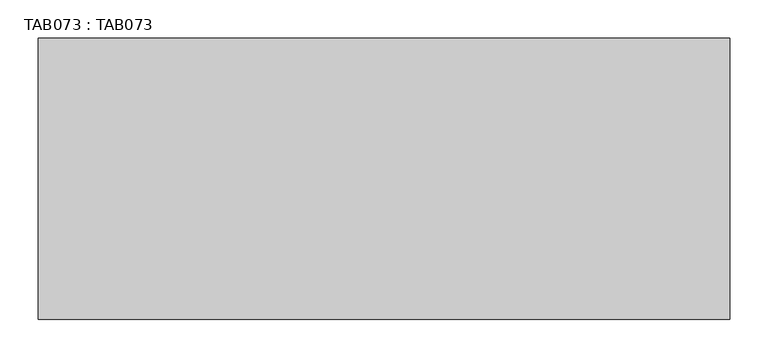
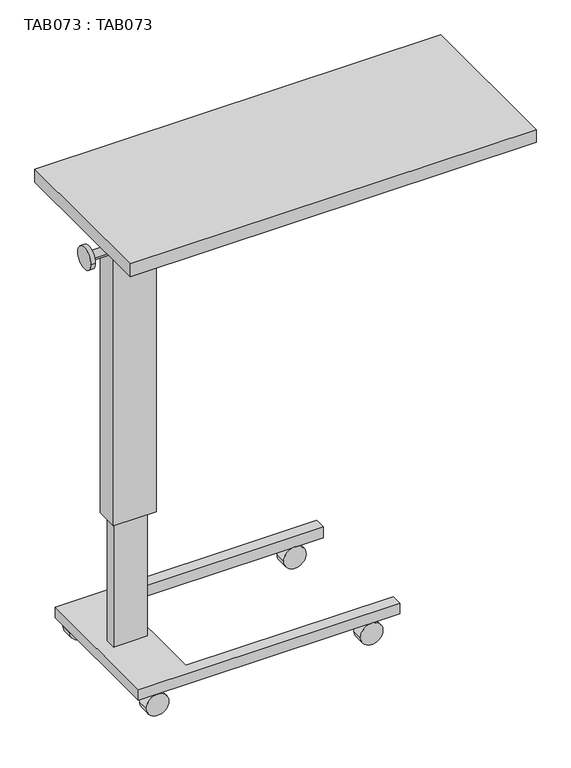
"""IFC4 building model written with IfcOpenShell, lengths in millimetres: proxy geometry, TAB073 : TAB073."""

import ifcopenshell
import ifcopenshell.guid

model = None  # the IFC model being written
_history = None  # IfcOwnerHistory: only IFC2X3 demands one
_inside = {}  # id of a spatial element -> (the spatial element, [elements in it])
_under = {}  # id of a project, library or spatial element -> (it, [spatial elements below it])
_declared = {}  # id of a project -> (the project, [libraries it declares])
_typed = {}  # id of a type object -> (the type object, [elements of that type])
_made_of = {}  # id of a material, layer set ... -> (it, [elements and type objects made of it])


def new_model(schema):
    """Start an empty IFC model of exactly this schema.

    Asked for "IFC4X3", IfcOpenShell would pick the latest addendum, in which some entities
    have other attributes; the version numbers below select the first issue.
    IFC2X3 requires an IfcOwnerHistory on every rooted entity: one is made here for all.
    """
    global model, _history
    if schema == "IFC4X3":
        model = ifcopenshell.file(schema_version=(4, 3, 0, 0))
    else:
        model = ifcopenshell.file(schema=schema)
    _inside.clear()
    _under.clear()
    _declared.clear()
    _typed.clear()
    _made_of.clear()
    _history = None
    if model.schema == "IFC2X3":
        org = make("IfcOrganization", Name="unknown")
        user = make(
            "IfcPersonAndOrganization",
            ThePerson=make("IfcPerson", FamilyName="unknown"),
            TheOrganization=org,
        )
        app = make(
            "IfcApplication",
            ApplicationDeveloper=org,
            Version="unknown",
            ApplicationFullName="unknown",
            ApplicationIdentifier="unknown",
        )
        _history = make(
            "IfcOwnerHistory",
            OwningUser=user,
            OwningApplication=app,
            ChangeAction="ADDED",
            CreationDate=0,
        )
    return model


def make(cls, **values):
    """One entity of the class cls with the attributes given. An attribute that is None is left unset."""
    return model.create_entity(
        cls, **{name: value for name, value in values.items() if value is not None}
    )


def rooted(cls, **values):
    """An entity with a GlobalId (a new one), such as an element, a storey or a relation."""
    return make(cls, GlobalId=ifcopenshell.guid.new(), OwnerHistory=_history, **values)


def si_unit(unit_type, name, prefix=None):
    """IfcSIUnit, for example si_unit("LENGTHUNIT", "METRE", prefix="MILLI")."""
    return make("IfcSIUnit", UnitType=unit_type, Prefix=prefix, Name=name)


def assignment(units):
    """IfcUnitAssignment: the units of a project."""
    return None if units is None else make("IfcUnitAssignment", Units=units)


def point(xyz):
    """IfcCartesianPoint."""
    return None if xyz is None else make("IfcCartesianPoint", Coordinates=xyz)


def direction(xyz):
    """IfcDirection."""
    return None if xyz is None else make("IfcDirection", DirectionRatios=xyz)


def frame(location, z_axis=None, x_axis=None):
    """IfcAxis2Placement3D, a coordinate frame: its origin and axes. An axis left out is left unset."""
    return make(
        "IfcAxis2Placement3D",
        Location=point(location),
        Axis=direction(z_axis),
        RefDirection=direction(x_axis),
    )


def frame_2d(location, x_axis=None):
    """IfcAxis2Placement2D, a coordinate frame in the plane: its origin and x axis."""
    return make(
        "IfcAxis2Placement2D", Location=point(location), RefDirection=direction(x_axis)
    )


def origin():
    """The frame at (0, 0, 0) with its axes left unset."""
    return frame((0.0, 0.0, 0.0))


def place(relative_to, where):
    """IfcLocalPlacement: puts the frame where relative to a parent placement (None: the world)."""
    return make(
        "IfcLocalPlacement", PlacementRelTo=relative_to, RelativePlacement=where
    )


def context(
    kind, dimensions, precision=None, world=None, true_north=None, identifier=None
):
    """IfcGeometricRepresentationContext, for example the 3D "Model" context."""
    return make(
        "IfcGeometricRepresentationContext",
        ContextIdentifier=identifier,
        ContextType=kind,
        CoordinateSpaceDimension=dimensions,
        Precision=precision,
        WorldCoordinateSystem=world,
        TrueNorth=true_north,
    )


def project(units=None, contexts=None):
    """IfcProject with its units and contexts."""
    return rooted(
        "IfcProject",
        Name="project",
        RepresentationContexts=contexts,
        UnitsInContext=assignment(units),
    )


def spatial(cls, under=None, at=None, **own):
    """A site, building, storey or space (cls), placed at a placement, below another one or the project."""
    s = rooted(cls, ObjectPlacement=at, **own)
    if under is not None:
        _under.setdefault(under.id(), (under, []))[1].append(s)
    return s


def polyline(points):
    """IfcPolyline through the points."""
    return make("IfcPolyline", Points=[point(p) for p in points])


def circle_curve(where, radius):
    """IfcCircle in the frame where."""
    return make("IfcCircle", Position=where, Radius=radius)


def trimmed(basis, trim1, trim2, sense, master):
    """IfcTrimmedCurve: the piece of a basis curve between two trims."""
    return make(
        "IfcTrimmedCurve",
        BasisCurve=basis,
        Trim1=trim1,
        Trim2=trim2,
        SenseAgreement=sense,
        MasterRepresentation=master,
    )


def segment(curve, same_sense, transition):
    """IfcCompositeCurveSegment."""
    return make(
        "IfcCompositeCurveSegment",
        Transition=transition,
        SameSense=same_sense,
        ParentCurve=curve,
    )


def composite_curve(segments, self_intersect=None):
    """IfcCompositeCurve: segments joined end to end."""
    return make("IfcCompositeCurve", Segments=segments, SelfIntersect=self_intersect)


def outline(outer, holes=None, kind="AREA"):
    """IfcArbitraryClosedProfileDef: a profile drawn as a closed curve; with holes, ...WithVoids."""
    if holes is None:
        return make("IfcArbitraryClosedProfileDef", ProfileType=kind, OuterCurve=outer)
    return make(
        "IfcArbitraryProfileDefWithVoids",
        ProfileType=kind,
        OuterCurve=outer,
        InnerCurves=holes,
    )


def extrude(swept, where, along, depth):
    """IfcExtrudedAreaSolid: the profile swept, set in the frame where, extruded along a direction by depth."""
    return make(
        "IfcExtrudedAreaSolid",
        SweptArea=swept,
        Position=where,
        ExtrudedDirection=direction(along),
        Depth=depth,
    )


def shape(context_of_items, identifier, shape_type, items):
    """IfcShapeRepresentation: the items that make up one representation, for example the "Body"."""
    return make(
        "IfcShapeRepresentation",
        ContextOfItems=context_of_items,
        RepresentationIdentifier=identifier,
        RepresentationType=shape_type,
        Items=items,
    )


def source(mapping_origin, context_of_items, identifier, shape_type, items):
    """IfcRepresentationMap: a shape defined once, which mapped items show again and again."""
    return make(
        "IfcRepresentationMap",
        MappingOrigin=mapping_origin,
        MappedRepresentation=shape(context_of_items, identifier, shape_type, items),
    )


def transform(
    local_origin,
    x_axis=None,
    y_axis=None,
    z_axis=None,
    scale=None,
    scale2=None,
    scale3=None,
    uniform=True,
):
    """IfcCartesianTransformationOperator3D, or its non-uniform kind. x_axis, y_axis, z_axis: its Axis1, 2, 3."""
    if uniform:
        return make(
            "IfcCartesianTransformationOperator3D",
            Axis1=direction(x_axis),
            Axis2=direction(y_axis),
            LocalOrigin=point(local_origin),
            Scale=scale,
            Axis3=direction(z_axis),
        )
    return make(
        "IfcCartesianTransformationOperator3DnonUniform",
        Axis1=direction(x_axis),
        Axis2=direction(y_axis),
        LocalOrigin=point(local_origin),
        Scale=scale,
        Axis3=direction(z_axis),
        Scale2=scale2,
        Scale3=scale3,
    )


def mapped(mapping_source, mapping_target):
    """IfcMappedItem: shows the shape of a source again, moved by a transform."""
    return make(
        "IfcMappedItem", MappingSource=mapping_source, MappingTarget=mapping_target
    )


def made_of(thing, what):
    """Note that an element or type object is made of a material, layer set ...; save() writes the relation."""
    if what is not None:
        _made_of.setdefault(what.id(), (what, []))[1].append(thing)
    return thing


def element(
    cls,
    number,
    at=None,
    inside=None,
    cuts=None,
    type_object=None,
    material=None,
    context=None,
    identifier="Body",
    shape_type=None,
    held_by="IfcProductDefinitionShape",
    body=None,
    shapes=None,
    **own,
):
    """One element of the class cls, such as IfcWall. Its Tag is "e" and its number.

    at: its placement. inside: the storey or other place that contains it. cuts: it is an
    opening in that element (IfcRelVoidsElement). A single representation is given by context,
    identifier, shape_type and body (its items); several are given by shapes. held_by: the class
    of the entity that holds the representations. save() writes the other relations.
    """
    e = rooted(cls, Tag="e%d" % number, ObjectPlacement=at, **own)
    if body is not None:
        shapes = [shape(context, identifier, shape_type, body)]
    if shapes is not None:
        e.Representation = make(held_by, Representations=shapes)
    if inside is not None:
        _inside.setdefault(inside.id(), (inside, []))[1].append(e)
    if cuts is not None:
        rooted(
            "IfcRelVoidsElement", RelatingBuildingElement=cuts, RelatedOpeningElement=e
        )
    if type_object is not None:
        _typed.setdefault(type_object.id(), (type_object, []))[1].append(e)
    return made_of(e, material)


def aggregate(whole, parts):
    """IfcRelAggregates: a whole, such as a stair, and the parts it consists of."""
    return rooted("IfcRelAggregates", RelatingObject=whole, RelatedObjects=parts)


def save(model, path):
    """Write the relations noted so far, then the file.

    IfcRelAggregates (storeys below a building ...), IfcRelContainedInSpatialStructure (elements
    in a storey), IfcRelDefinesByType, IfcRelAssociatesMaterial and IfcRelDeclares: one each for
    every whole, place, type object, material and project.
    """
    for whole, parts in _under.values():
        aggregate(whole, parts)
    for where, things in _inside.values():
        rooted(
            "IfcRelContainedInSpatialStructure",
            RelatedElements=things,
            RelatingStructure=where,
        )
    for kind, things in _typed.values():
        rooted("IfcRelDefinesByType", RelatedObjects=things, RelatingType=kind)
    for what, things in _made_of.values():
        rooted("IfcRelAssociatesMaterial", RelatedObjects=things, RelatingMaterial=what)
    for by, libraries in _declared.values():
        rooted("IfcRelDeclares", RelatingContext=by, RelatedDefinitions=libraries)
    model.write(path)


def tab073_tab073_9d9f9e27(model_context):
    return source(origin(), model_context, "Body", "SweptSolid", [
        extrude(outline(composite_curve([segment(trimmed(circle_curve(frame_2d((-181.2471765, 1000.0)), 10.0), [point((-171.2471765, 1000.0))], [point((-191.2471765, 1000.0))], False, "CARTESIAN"), True, "CONTINUOUS"), segment(trimmed(circle_curve(frame_2d((-181.2471765, 1000.0)), 10.0), [point((-191.2471765, 1000.0))], [point((-171.2471765, 1000.0))], False, "CARTESIAN"), True, "CONTINUOUS")], self_intersect=False)), frame((15.0, 0.0, 0.0), z_axis=(1.0, 0.0, 0.0), x_axis=(0.0, 1.0, 0.0)), (0.0, 0.0, 1.0), 40.0),
        extrude(outline(composite_curve([segment(trimmed(circle_curve(frame_2d((-181.2471765, 1000.0)), 25.0), [point((-156.2471765, 1000.0))], [point((-206.2471765, 1000.0))], False, "CARTESIAN"), True, "CONTINUOUS"), segment(trimmed(circle_curve(frame_2d((-181.2471765, 1000.0)), 25.0), [point((-206.2471765, 1000.0))], [point((-156.2471765, 1000.0))], False, "CARTESIAN"), True, "CONTINUOUS")], self_intersect=False)), frame((5.0, 0.0, 0.0), z_axis=(1.0, 0.0, 0.0), x_axis=(0.0, 1.0, 0.0)), (0.0, 0.0, 1.0), 10.0),
        extrude(outline(composite_curve([segment(trimmed(circle_curve(frame_2d((25.0000002, 550.000004)), 25.0), [point((25.0000002, 575.000004))], [point((25.0000002, 525.000004))], False, "CARTESIAN"), True, "CONTINUOUS"), segment(trimmed(circle_curve(frame_2d((25.0000002, 550.000004)), 25.0), [point((25.0000002, 525.000004))], [point((25.0000002, 575.000004))], False, "CARTESIAN"), True, "CONTINUOUS")], self_intersect=False)), frame((0.0, -46.2471937, 0.0), z_axis=(0.0, 1.0, 0.0), x_axis=(0.0, 0.0, 1.0)), (0.0, 0.0, 1.0), 25.0000002),
        extrude(outline(composite_curve([segment(trimmed(circle_curve(frame_2d((25.0000002, 75.0000004)), 25.0), [point((25.0000002, 100.0000004))], [point((25.0000002, 50.0000004))], False, "CARTESIAN"), True, "CONTINUOUS"), segment(trimmed(circle_curve(frame_2d((25.0000002, 75.0000004)), 25.0), [point((25.0000002, 50.0000004))], [point((25.0000002, 100.0000004))], False, "CARTESIAN"), True, "CONTINUOUS")], self_intersect=False)), frame((0.0, -46.2471937, 0.0), z_axis=(0.0, 1.0, 0.0), x_axis=(0.0, 0.0, 1.0)), (0.0, 0.0, 1.0), 25.0000002),
        extrude(outline(composite_curve([segment(trimmed(circle_curve(frame_2d((25.0000002, 550.000004)), 25.0), [point((25.0000002, 575.000004))], [point((25.0000002, 525.000004))], False, "CARTESIAN"), True, "CONTINUOUS"), segment(trimmed(circle_curve(frame_2d((25.0000002, 550.000004)), 25.0), [point((25.0000002, 525.000004))], [point((25.0000002, 575.000004))], False, "CARTESIAN"), True, "CONTINUOUS")], self_intersect=False)), frame((0.0, -341.2471937, 0.0), z_axis=(0.0, 1.0, 0.0), x_axis=(0.0, 0.0, 1.0)), (0.0, 0.0, 1.0), 25.0000002),
        extrude(outline(composite_curve([segment(trimmed(circle_curve(frame_2d((25.0000002, 75.0000004)), 25.0), [point((25.0000002, 100.0000004))], [point((25.0000002, 50.0000004))], False, "CARTESIAN"), True, "CONTINUOUS"), segment(trimmed(circle_curve(frame_2d((25.0000002, 75.0000004)), 25.0), [point((25.0000002, 50.0000004))], [point((25.0000002, 100.0000004))], False, "CARTESIAN"), True, "CONTINUOUS")], self_intersect=False)), frame((0.0, -341.2471937, 0.0), z_axis=(0.0, 1.0, 0.0), x_axis=(0.0, 0.0, 1.0)), (0.0, 0.0, 1.0), 25.0000002),
        extrude(outline(polyline([(62.5000005, -193.7471853), (62.5000005, -168.7471851), (137.500001, -168.7471851), (137.500001, -193.7471853), (62.5000005, -193.7471853)])), frame((0.0, 0.0, 75.0000006), z_axis=(0.0, 0.0, 1.0), x_axis=(1.0, 0.0, 0.0)), (0.0, 0.0, 1.0), 295.0000168),
        extrude(outline(polyline([(32.4999993, -21.2471767), (612.4999756, -21.2471767), (612.4999756, -46.2471769), (152.5000011, -46.2471769), (152.5000011, -316.2471935), (612.4999756, -316.2471935), (612.4999756, -341.2471937), (32.4999993, -341.2471937), (32.4999993, -21.2471767)])), frame((0.0, 0.0, 50.0000004), z_axis=(0.0, 0.0, 1.0), x_axis=(1.0, 0.0, 0.0)), (0.0, 0.0, 1.0), 25.0000002),
        extrude(outline(polyline([(1020.0000223, 150.0000011), (1020.0000223, 729.999991), (1070.0000227, 729.999991), (1070.0000227, 54.9999995), (370.0000174, 54.9999995), (370.0000174, 150.0000011), (1020.0000223, 150.0000011)])), frame((0.0, -206.2471854, 0.0), z_axis=(0.0, 1.0, 0.0), x_axis=(0.0, 0.0, 1.0)), (0.0, 0.0, 1.0), 50.0000004),
        extrude(outline(polyline([(900.0000069, -366.2471939), (0.0, -366.2471939), (0.0, 0.0), (900.0000069, 0.0), (900.0000069, -366.2471939)])), frame((0.0, 0.0, 1070.0000227), z_axis=(0.0, 0.0, 1.0), x_axis=(1.0, 0.0, 0.0)), (0.0, 0.0, 1.0), 29.9999857),
    ])


if __name__ == "__main__":
    model = new_model("IFC4")
    model_context = context("Model", 3, world=origin())
    ifc_project = project(units=[si_unit("LENGTHUNIT", "METRE", prefix="MILLI")], contexts=[model_context])
    site = spatial("IfcSite", under=ifc_project)
    building = spatial("IfcBuilding", under=site)
    placement = place(None, origin())
    tab073_tab073_shape = tab073_tab073_9d9f9e27(model_context)
    element("IfcBuildingElementProxy", 1, Name="TAB073 : TAB073", ObjectType="TAB073 : TAB073", at=placement, inside=building, context=model_context, shape_type="MappedRepresentation", body=[
        mapped(tab073_tab073_shape, transform((0.0, 0.0, 0.0), x_axis=(1.0, 0.0, 0.0), y_axis=(0.0, 1.0, 0.0), z_axis=(0.0, 0.0, 1.0))),
    ])
    save(model, "model.ifc")
